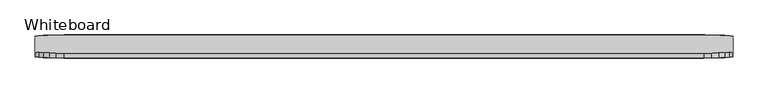
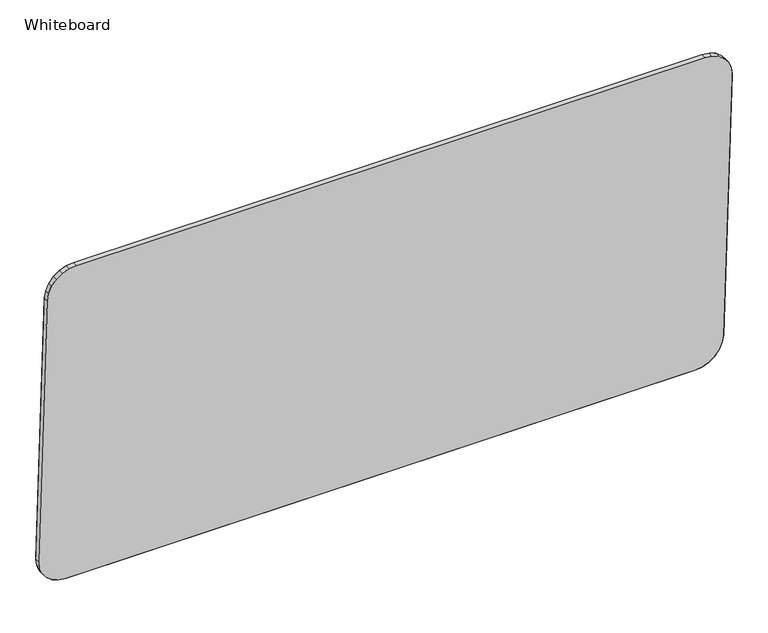
"""IFC4 building model written with IfcOpenShell, lengths in millimetres: furniture geometry, Whiteboard."""

from ifc_helpers import new_model, si_unit, origin, place, context, project, spatial, triangles, source, transform, mapped, element, save


def whiteboard_52b3c504(model_context):
    return source(origin(), model_context, "Body", "Tessellation", [
        triangles([(838.1999273, -30.2784639, 1370.9735847), (-838.2, -17.5953661, 1371.6379337), (-838.1999273, -30.2779756, 1370.9732941), (838.1999273, -17.5958725, 1371.6383698), (876.3, 29.7259699, 468.6863265), (892.0815948, 16.4095998, 480.114626), (876.3, 17.0433763, 468.0216142), (892.0815948, 29.0921945, 480.779302), (876.2999273, -29.7441851, 1360.7788582), (857.9219067, -17.4599921, 1369.0453594), (857.9219067, -30.1425869, 1368.3807198), (876.2999273, -17.0615914, 1361.4433525), (-911.8032835, -27.3221059, 1314.5726669), (-914.4000727, -13.6073226, 1295.5422878), (-914.4000727, -26.2899287, 1294.8776482), (-911.8034288, -14.6395111, 1315.2374519), (-904.1911755, -15.6013415, 1333.5901108), (-904.1911755, -28.2839204, 1332.9254711), (911.8034288, -14.640055, 1315.2377426), (914.3999273, -26.290476, 1294.8779388), (914.3999273, -13.6078824, 1295.5427238), (911.8034288, -27.3226509, 1314.573103), (904.1911028, 15.5836532, 495.8746016), (904.1911028, 28.266248, 496.5392412), (857.922052, 17.4417815, 460.4196073), (857.922052, 30.1243763, 461.0843196), (-892.0815948, -29.1098897, 1348.6854103), (-892.0815948, -16.4272949, 1349.35005), (892.0814495, -29.1104165, 1348.685701), (892.0814495, -16.427824, 1349.350486), (904.1910301, -28.2844768, 1332.9257618), (904.1910301, -15.6018797, 1333.5905468), (-857.922052, -17.4594687, 1369.0450687), (-857.922052, -30.1420782, 1368.3804291), (-914.4, 26.272799, 534.5868462), (-914.4, 13.5901906, 533.9221338), (-857.9219793, 30.124894, 461.0841016), (-838.1998547, 17.5781694, 457.8265969), (-857.9219793, 17.4422913, 460.4194619), (-838.2, 30.260771, 458.4912366), (-911.8032108, 14.6223621, 514.2271514), (-904.1911028, 28.2667884, 496.5390232), (-904.1911028, 15.5841982, 495.8743472), (-911.8033562, 27.3049535, 514.8917911), (-876.3000727, -17.0610646, 1361.4432072), (-876.3000727, -29.7436582, 1360.7784222), (-876.2998547, 29.726499, 468.6861085), (-876.2998547, 17.0438974, 468.0214688), (-892.0815222, 16.4101334, 480.1144444), (-892.0815222, 29.0927191, 480.779084), (914.4, 13.5896411, 533.9223882), (914.4, 26.2722313, 534.5869552), (838.2, 17.5776778, 457.8267786), (838.2, 30.2602714, 458.4914546), (911.8035742, 27.3044085, 514.8920454), (911.8035742, 14.6218148, 514.2273331)], [[1, 2, 3], [2, 1, 4], [5, 6, 7], [6, 5, 8], [9, 10, 11], [10, 9, 12], [13, 14, 15], [14, 13, 16], [13, 17, 16], [17, 13, 18], [19, 20, 21], [20, 19, 22], [8, 23, 6], [23, 8, 24], [25, 5, 7], [5, 25, 26], [27, 17, 18], [17, 27, 28], [29, 12, 9], [12, 29, 30], [11, 4, 1], [4, 11, 10], [30, 31, 32], [31, 30, 29], [3, 33, 34], [33, 3, 2], [15, 35, 36], [35, 15, 14], [32, 22, 19], [22, 32, 31], [37, 38, 39], [38, 37, 40], [41, 42, 43], [42, 41, 44], [45, 27, 46], [27, 45, 28], [47, 39, 48], [39, 47, 37], [49, 42, 50], [42, 49, 43], [50, 48, 49], [48, 50, 47], [36, 44, 41], [44, 36, 35], [34, 45, 46], [45, 34, 33], [21, 51, 52], [51, 21, 20], [40, 53, 38], [53, 40, 54], [54, 25, 53], [25, 54, 26], [55, 23, 24], [23, 55, 56], [55, 51, 56], [51, 55, 52]], closed=False),
        triangles([(876.3, 17.0433763, 468.0216142), (876.2999273, -29.7441851, 1360.7788582), (857.922052, 17.4417815, 460.4196073), (857.9219067, -30.1425869, 1368.3807198), (838.2, 17.5776778, 457.8267786), (838.1999273, -30.2784639, 1370.9735847), (-838.1998547, 17.5781694, 457.8265969), (-838.1999273, -30.2779756, 1370.9732941), (-857.922052, -30.1420782, 1368.3804291), (-857.9219793, 17.4422913, 460.4194619), (-876.2998547, 17.0438974, 468.0214688), (-876.3000727, -29.7436582, 1360.7784222), (-892.0815222, 16.4101334, 480.1144444), (-892.0815948, -29.1098897, 1348.6854103), (-904.1911028, 15.5841982, 495.8743472), (-904.1911755, -28.2839204, 1332.9254711), (-911.8032108, 14.6223621, 514.2271514), (-911.8032835, -27.3221059, 1314.5726669), (-914.4, 13.5901906, 533.9221338), (-914.4000727, -26.2899287, 1294.8776482), (911.8035742, 27.3044085, 514.8920454), (914.3999273, -13.6078824, 1295.5427238), (914.4, 26.2722313, 534.5869552), (911.8034288, -14.640055, 1315.2377426), (904.1911028, 28.266248, 496.5392412), (904.1910301, -15.6018797, 1333.5905468), (892.0815948, 29.0921945, 480.779302), (892.0814495, -16.427824, 1349.350486), (876.3, 29.7259699, 468.6863265), (876.2999273, -17.0615914, 1361.4433525), (857.922052, 30.1243763, 461.0843196), (857.9219067, -17.4599921, 1369.0453594), (838.2, 30.2602714, 458.4914546), (838.1999273, -17.5958725, 1371.6383698), (-838.2, 30.260771, 458.4912366), (-838.2, -17.5953661, 1371.6379337), (-857.9219793, 30.124894, 461.0841016), (-857.922052, -17.4594687, 1369.0450687), (-876.2998547, 29.726499, 468.6861085), (-876.3000727, -17.0610646, 1361.4432072), (-892.0815222, 29.0927191, 480.779084), (-892.0815948, -16.4272949, 1349.35005), (-904.1911028, 28.2667884, 496.5390232), (-904.1911755, -15.6013415, 1333.5901108), (-911.8033562, 27.3049535, 514.8917911), (-911.8034288, -14.6395111, 1315.2374519), (-914.4, 26.272799, 534.5868462), (-914.4000727, -13.6073226, 1295.5422878), (914.3999273, -26.290476, 1294.8779388), (911.8035742, 14.6218148, 514.2273331), (914.4, 13.5896411, 533.9223882), (911.8034288, -27.3226509, 1314.573103), (904.1911028, 15.5836532, 495.8746016), (904.1910301, -28.2844768, 1332.9257618), (892.0815948, 16.4095998, 480.114626), (892.0814495, -29.1104165, 1348.685701)], [[1, 2, 3], [3, 2, 4], [3, 4, 5], [5, 4, 6], [5, 6, 7], [7, 6, 8], [7, 8, 9], [7, 9, 10], [10, 9, 11], [11, 9, 12], [11, 12, 13], [13, 12, 14], [13, 14, 15], [15, 14, 16], [15, 16, 17], [17, 16, 18], [17, 18, 19], [19, 18, 20], [21, 22, 23], [22, 21, 24], [24, 21, 25], [24, 25, 26], [26, 25, 27], [26, 27, 28], [28, 27, 29], [28, 29, 30], [30, 29, 31], [30, 31, 32], [32, 31, 33], [32, 33, 34], [34, 33, 35], [34, 35, 36], [36, 35, 37], [36, 37, 38], [38, 37, 39], [38, 39, 40], [40, 39, 41], [40, 41, 42], [42, 41, 43], [42, 43, 44], [44, 43, 45], [44, 45, 46], [46, 45, 47], [46, 47, 48], [49, 50, 51], [50, 49, 52], [50, 52, 53], [53, 52, 54], [53, 54, 55], [55, 54, 56], [55, 56, 1], [1, 56, 2]], closed=False),
    ])


if __name__ == "__main__":
    model = new_model("IFC4")
    model_context = context("Model", 3, world=origin())
    ifc_project = project(units=[si_unit("LENGTHUNIT", "METRE", prefix="MILLI")], contexts=[model_context])
    site = spatial("IfcSite", under=ifc_project)
    building = spatial("IfcBuilding", under=site)
    placement = place(None, origin())
    whiteboard_shape = whiteboard_52b3c504(model_context)
    element("IfcFurniture", 1, ObjectType="Whiteboard", at=placement, inside=building, context=model_context, shape_type="MappedRepresentation", body=[
        mapped(whiteboard_shape, transform((0.0, 0.0, 0.0), x_axis=(1.0, 0.0, 0.0), y_axis=(0.0, 1.0, 0.0), z_axis=(0.0, 0.0, 1.0))),
    ])
    save(model, "model.ifc")
